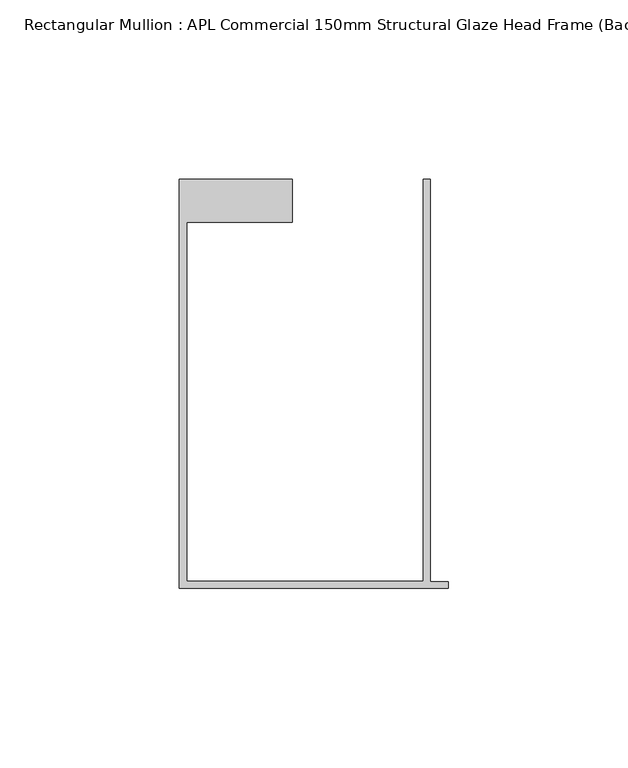
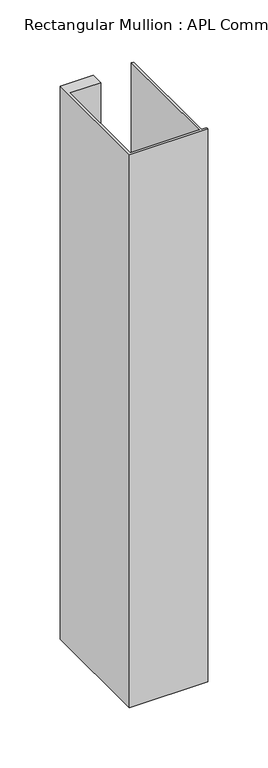
"""IFC4 building model written with IfcOpenShell, lengths in millimetres: member geometry, Rectangular Mullion : APL Commercial 150mm Structural Glaze Head Frame (Back)."""

from ifc_helpers import new_model, si_unit, frame, origin, place, context, project, spatial, polyline, outline, extrude, source, transform, mapped, element, save


def rectangular_mullion_apl_commercial_150mm_structural_glaze_068eea04(model_context):
    return source(origin(), model_context, "Body", "SweptSolid", [
        extrude(outline(polyline([(-75.0, -128.9993063), (-75.0, -14.9998342), (-43.5000151, -14.9998342), (-43.5000151, -26.9997514), (-73.0, -26.9997514), (-73.0, -126.9993063), (-7.0, -126.9993063), (-7.0, -14.9998342), (-5.0, -14.9998342), (-5.0, -127.1993063), (0.0, -127.1993063), (0.0, -128.9993063), (-75.0, -128.9993063)])), frame((0.0, 0.0, -559.0999495), z_axis=(0.0, 0.0, 1.0), x_axis=(1.0, 0.0, 0.0)), (0.0, 0.0, 1.0), 559.0999495),
    ])


if __name__ == "__main__":
    model = new_model("IFC4")
    model_context = context("Model", 3, world=origin())
    ifc_project = project(units=[si_unit("LENGTHUNIT", "METRE", prefix="MILLI")], contexts=[model_context])
    site = spatial("IfcSite", under=ifc_project)
    building = spatial("IfcBuilding", under=site)
    placement = place(None, origin())
    rectangular_mullion_apl_commercial_150mm_structural_glaze_shape = rectangular_mullion_apl_commercial_150mm_structural_glaze_068eea04(model_context)
    element("IfcMember", 1, ObjectType="Rectangular Mullion : APL Commercial 150mm Structural Glaze Head Frame (Back)", at=placement, inside=building, context=model_context, shape_type="MappedRepresentation", body=[
        mapped(rectangular_mullion_apl_commercial_150mm_structural_glaze_shape, transform((0.0, 0.0, 0.0), x_axis=(1.0, 0.0, 0.0), y_axis=(0.0, 1.0, 0.0), z_axis=(0.0, 0.0, 1.0))),
    ])
    save(model, "model.ifc")
